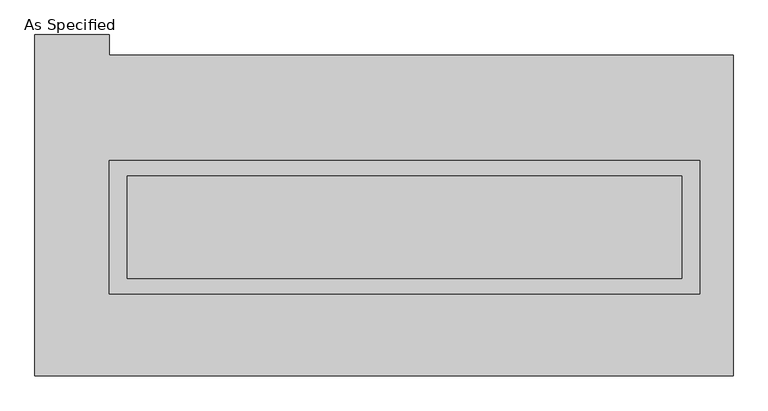
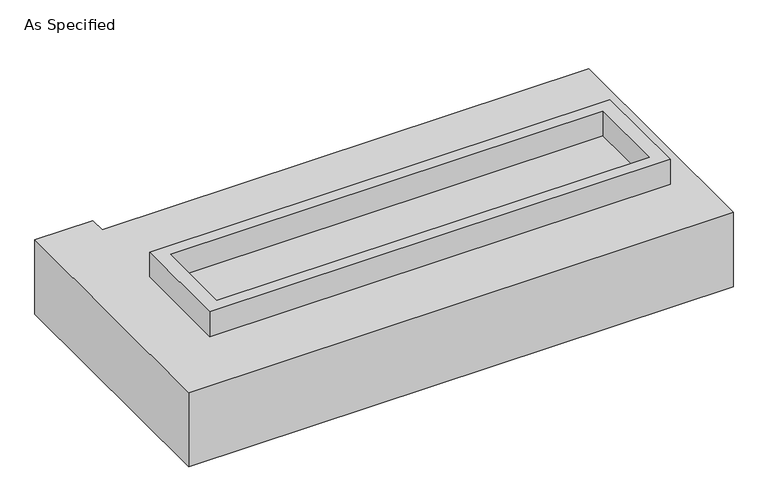
"""IFC4 building model written with IfcOpenShell, lengths in millimetres: proxy geometry, As Specified."""

from ifc_helpers import new_model, si_unit, frame, origin, place, context, project, spatial, polyline, outline, extrude, faceted_brep, source, transform, mapped, element, save


def as_specified_b161230c(model_context):
    return source(origin(), model_context, "Body", "SolidModel", [
        extrude(outline(polyline([(1460.5, 273.05), (1460.5, -387.35), (-1460.5, -387.35), (-1460.5, 273.05), (1460.5, 273.05)]), holes=[polyline([(1371.6, 196.85), (-1371.6, 196.85), (-1371.6, -311.15), (1371.6, -311.15), (1371.6, 196.85)])]), frame((0.0, 0.0, -25.4), z_axis=(0.0, 0.0, 1.0), x_axis=(1.0, 0.0, 0.0)), (0.0, 0.0, 1.0), 165.1),
        extrude(outline(polyline([(1371.6, 196.85), (1371.6, -311.15), (-1371.6, -311.15), (-1371.6, 196.85), (1371.6, 196.85)])), frame((0.0, 0.0, -30.3609375), z_axis=(0.0, 0.0, 1.0), x_axis=(1.0, 0.0, 0.0)), (0.0, 0.0, 1.0), 4.9609375),
        faceted_brep([(1625.6, -793.75, -523.875), (-1828.8, -793.75, -523.875), (-1828.8, 895.35, -523.875), (-1460.5, 895.35, -523.875), (-1460.5, 793.75, -523.875), (1625.6, 793.75, -523.875), (-1828.8, -793.75, -25.4), (1625.6, -793.75, -25.4), (1625.6, 793.75, -25.4), (-1460.5, 793.75, -25.4), (-1460.5, 895.35, -25.4), (-1828.8, 895.35, -25.4), (-1460.5, -387.35, -25.4), (-1460.5, 273.05, -25.4), (1460.5, 273.05, -25.4), (1460.5, -387.35, -25.4), (1460.5, 273.05, -498.475), (-1460.5, 273.05, -498.475), (-1460.5, -387.35, -498.475), (1460.5, -387.35, -498.475)], [[[0, 1, 2, 3, 4, 5]], [[6, 7, 8, 9, 10, 11], [12, 13, 14, 15]], [[8, 5, 4, 9]], [[2, 1, 6, 11]], [[5, 8, 7, 0]], [[16, 17, 18, 19]], [[18, 17, 13, 12]], [[17, 16, 14, 13]], [[16, 19, 15, 14]], [[12, 15, 19, 18]], [[1, 0, 7, 6]], [[4, 3, 10, 9]], [[3, 2, 11, 10]]]),
    ])


if __name__ == "__main__":
    model = new_model("IFC4")
    model_context = context("Model", 3, world=origin())
    ifc_project = project(units=[si_unit("LENGTHUNIT", "METRE", prefix="MILLI")], contexts=[model_context])
    site = spatial("IfcSite", under=ifc_project)
    building = spatial("IfcBuilding", under=site)
    placement = place(None, origin())
    as_specified_shape = as_specified_b161230c(model_context)
    element("IfcBuildingElementProxy", 1, Name="As Specified", ObjectType="As Specified", at=placement, inside=building, context=model_context, shape_type="MappedRepresentation", body=[
        mapped(as_specified_shape, transform((0.0, 0.0, 0.0), x_axis=(1.0, 0.0, 0.0), y_axis=(0.0, 1.0, 0.0), z_axis=(0.0, 0.0, 1.0))),
    ])
    save(model, "model.ifc")
